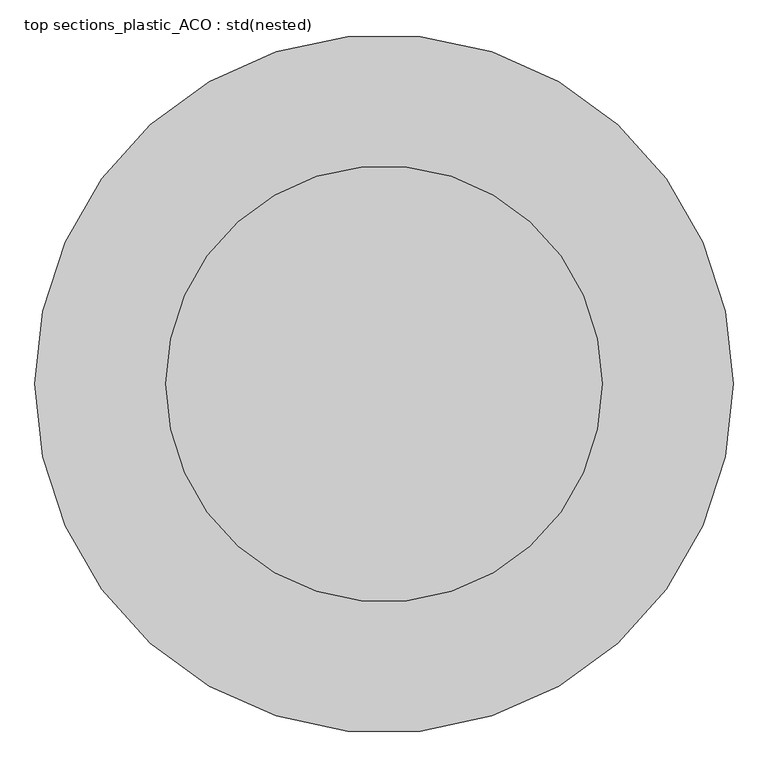
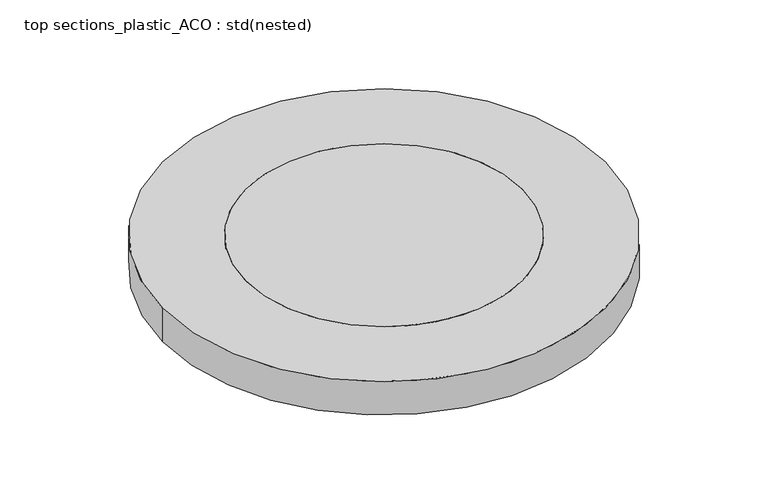
"""IFC4 building model written with IfcOpenShell, lengths in millimetres: unitary equipment geometry, top sections_plastic_ACO : std(nested)."""

import ifcopenshell
import ifcopenshell.guid

model = None  # the IFC model being written
_history = None  # IfcOwnerHistory: only IFC2X3 demands one
_inside = {}  # id of a spatial element -> (the spatial element, [elements in it])
_under = {}  # id of a project, library or spatial element -> (it, [spatial elements below it])
_declared = {}  # id of a project -> (the project, [libraries it declares])
_typed = {}  # id of a type object -> (the type object, [elements of that type])
_made_of = {}  # id of a material, layer set ... -> (it, [elements and type objects made of it])


def new_model(schema):
    """Start an empty IFC model of exactly this schema.

    Asked for "IFC4X3", IfcOpenShell would pick the latest addendum, in which some entities
    have other attributes; the version numbers below select the first issue.
    IFC2X3 requires an IfcOwnerHistory on every rooted entity: one is made here for all.
    """
    global model, _history
    if schema == "IFC4X3":
        model = ifcopenshell.file(schema_version=(4, 3, 0, 0))
    else:
        model = ifcopenshell.file(schema=schema)
    _inside.clear()
    _under.clear()
    _declared.clear()
    _typed.clear()
    _made_of.clear()
    _history = None
    if model.schema == "IFC2X3":
        org = make("IfcOrganization", Name="unknown")
        user = make(
            "IfcPersonAndOrganization",
            ThePerson=make("IfcPerson", FamilyName="unknown"),
            TheOrganization=org,
        )
        app = make(
            "IfcApplication",
            ApplicationDeveloper=org,
            Version="unknown",
            ApplicationFullName="unknown",
            ApplicationIdentifier="unknown",
        )
        _history = make(
            "IfcOwnerHistory",
            OwningUser=user,
            OwningApplication=app,
            ChangeAction="ADDED",
            CreationDate=0,
        )
    return model


def make(cls, **values):
    """One entity of the class cls with the attributes given. An attribute that is None is left unset."""
    return model.create_entity(
        cls, **{name: value for name, value in values.items() if value is not None}
    )


def rooted(cls, **values):
    """An entity with a GlobalId (a new one), such as an element, a storey or a relation."""
    return make(cls, GlobalId=ifcopenshell.guid.new(), OwnerHistory=_history, **values)


def si_unit(unit_type, name, prefix=None):
    """IfcSIUnit, for example si_unit("LENGTHUNIT", "METRE", prefix="MILLI")."""
    return make("IfcSIUnit", UnitType=unit_type, Prefix=prefix, Name=name)


def assignment(units):
    """IfcUnitAssignment: the units of a project."""
    return None if units is None else make("IfcUnitAssignment", Units=units)


def point(xyz):
    """IfcCartesianPoint."""
    return None if xyz is None else make("IfcCartesianPoint", Coordinates=xyz)


def direction(xyz):
    """IfcDirection."""
    return None if xyz is None else make("IfcDirection", DirectionRatios=xyz)


def frame(location, z_axis=None, x_axis=None):
    """IfcAxis2Placement3D, a coordinate frame: its origin and axes. An axis left out is left unset."""
    return make(
        "IfcAxis2Placement3D",
        Location=point(location),
        Axis=direction(z_axis),
        RefDirection=direction(x_axis),
    )


def frame_2d(location, x_axis=None):
    """IfcAxis2Placement2D, a coordinate frame in the plane: its origin and x axis."""
    return make(
        "IfcAxis2Placement2D", Location=point(location), RefDirection=direction(x_axis)
    )


def origin():
    """The frame at (0, 0, 0) with its axes left unset."""
    return frame((0.0, 0.0, 0.0))


def origin_2d():
    """The frame at (0, 0) in the plane with its x axis left unset."""
    return frame_2d((0.0, 0.0))


def place(relative_to, where):
    """IfcLocalPlacement: puts the frame where relative to a parent placement (None: the world)."""
    return make(
        "IfcLocalPlacement", PlacementRelTo=relative_to, RelativePlacement=where
    )


def context(
    kind, dimensions, precision=None, world=None, true_north=None, identifier=None
):
    """IfcGeometricRepresentationContext, for example the 3D "Model" context."""
    return make(
        "IfcGeometricRepresentationContext",
        ContextIdentifier=identifier,
        ContextType=kind,
        CoordinateSpaceDimension=dimensions,
        Precision=precision,
        WorldCoordinateSystem=world,
        TrueNorth=true_north,
    )


def project(units=None, contexts=None):
    """IfcProject with its units and contexts."""
    return rooted(
        "IfcProject",
        Name="project",
        RepresentationContexts=contexts,
        UnitsInContext=assignment(units),
    )


def spatial(cls, under=None, at=None, **own):
    """A site, building, storey or space (cls), placed at a placement, below another one or the project."""
    s = rooted(cls, ObjectPlacement=at, **own)
    if under is not None:
        _under.setdefault(under.id(), (under, []))[1].append(s)
    return s


def circle_curve(where, radius):
    """IfcCircle in the frame where."""
    return make("IfcCircle", Position=where, Radius=radius)


def trimmed(basis, trim1, trim2, sense, master):
    """IfcTrimmedCurve: the piece of a basis curve between two trims."""
    return make(
        "IfcTrimmedCurve",
        BasisCurve=basis,
        Trim1=trim1,
        Trim2=trim2,
        SenseAgreement=sense,
        MasterRepresentation=master,
    )


def segment(curve, same_sense, transition):
    """IfcCompositeCurveSegment."""
    return make(
        "IfcCompositeCurveSegment",
        Transition=transition,
        SameSense=same_sense,
        ParentCurve=curve,
    )


def composite_curve(segments, self_intersect=None):
    """IfcCompositeCurve: segments joined end to end."""
    return make("IfcCompositeCurve", Segments=segments, SelfIntersect=self_intersect)


def outline(outer, holes=None, kind="AREA"):
    """IfcArbitraryClosedProfileDef: a profile drawn as a closed curve; with holes, ...WithVoids."""
    if holes is None:
        return make("IfcArbitraryClosedProfileDef", ProfileType=kind, OuterCurve=outer)
    return make(
        "IfcArbitraryProfileDefWithVoids",
        ProfileType=kind,
        OuterCurve=outer,
        InnerCurves=holes,
    )


def extrude(swept, where, along, depth):
    """IfcExtrudedAreaSolid: the profile swept, set in the frame where, extruded along a direction by depth."""
    return make(
        "IfcExtrudedAreaSolid",
        SweptArea=swept,
        Position=where,
        ExtrudedDirection=direction(along),
        Depth=depth,
    )


def shape(context_of_items, identifier, shape_type, items):
    """IfcShapeRepresentation: the items that make up one representation, for example the "Body"."""
    return make(
        "IfcShapeRepresentation",
        ContextOfItems=context_of_items,
        RepresentationIdentifier=identifier,
        RepresentationType=shape_type,
        Items=items,
    )


def source(mapping_origin, context_of_items, identifier, shape_type, items):
    """IfcRepresentationMap: a shape defined once, which mapped items show again and again."""
    return make(
        "IfcRepresentationMap",
        MappingOrigin=mapping_origin,
        MappedRepresentation=shape(context_of_items, identifier, shape_type, items),
    )


def transform(
    local_origin,
    x_axis=None,
    y_axis=None,
    z_axis=None,
    scale=None,
    scale2=None,
    scale3=None,
    uniform=True,
):
    """IfcCartesianTransformationOperator3D, or its non-uniform kind. x_axis, y_axis, z_axis: its Axis1, 2, 3."""
    if uniform:
        return make(
            "IfcCartesianTransformationOperator3D",
            Axis1=direction(x_axis),
            Axis2=direction(y_axis),
            LocalOrigin=point(local_origin),
            Scale=scale,
            Axis3=direction(z_axis),
        )
    return make(
        "IfcCartesianTransformationOperator3DnonUniform",
        Axis1=direction(x_axis),
        Axis2=direction(y_axis),
        LocalOrigin=point(local_origin),
        Scale=scale,
        Axis3=direction(z_axis),
        Scale2=scale2,
        Scale3=scale3,
    )


def mapped(mapping_source, mapping_target):
    """IfcMappedItem: shows the shape of a source again, moved by a transform."""
    return make(
        "IfcMappedItem", MappingSource=mapping_source, MappingTarget=mapping_target
    )


def made_of(thing, what):
    """Note that an element or type object is made of a material, layer set ...; save() writes the relation."""
    if what is not None:
        _made_of.setdefault(what.id(), (what, []))[1].append(thing)
    return thing


def element(
    cls,
    number,
    at=None,
    inside=None,
    cuts=None,
    type_object=None,
    material=None,
    context=None,
    identifier="Body",
    shape_type=None,
    held_by="IfcProductDefinitionShape",
    body=None,
    shapes=None,
    **own,
):
    """One element of the class cls, such as IfcWall. Its Tag is "e" and its number.

    at: its placement. inside: the storey or other place that contains it. cuts: it is an
    opening in that element (IfcRelVoidsElement). A single representation is given by context,
    identifier, shape_type and body (its items); several are given by shapes. held_by: the class
    of the entity that holds the representations. save() writes the other relations.
    """
    e = rooted(cls, Tag="e%d" % number, ObjectPlacement=at, **own)
    if body is not None:
        shapes = [shape(context, identifier, shape_type, body)]
    if shapes is not None:
        e.Representation = make(held_by, Representations=shapes)
    if inside is not None:
        _inside.setdefault(inside.id(), (inside, []))[1].append(e)
    if cuts is not None:
        rooted(
            "IfcRelVoidsElement", RelatingBuildingElement=cuts, RelatedOpeningElement=e
        )
    if type_object is not None:
        _typed.setdefault(type_object.id(), (type_object, []))[1].append(e)
    return made_of(e, material)


def aggregate(whole, parts):
    """IfcRelAggregates: a whole, such as a stair, and the parts it consists of."""
    return rooted("IfcRelAggregates", RelatingObject=whole, RelatedObjects=parts)


def save(model, path):
    """Write the relations noted so far, then the file.

    IfcRelAggregates (storeys below a building ...), IfcRelContainedInSpatialStructure (elements
    in a storey), IfcRelDefinesByType, IfcRelAssociatesMaterial and IfcRelDeclares: one each for
    every whole, place, type object, material and project.
    """
    for whole, parts in _under.values():
        aggregate(whole, parts)
    for where, things in _inside.values():
        rooted(
            "IfcRelContainedInSpatialStructure",
            RelatedElements=things,
            RelatingStructure=where,
        )
    for kind, things in _typed.values():
        rooted("IfcRelDefinesByType", RelatedObjects=things, RelatingType=kind)
    for what, things in _made_of.values():
        rooted("IfcRelAssociatesMaterial", RelatedObjects=things, RelatingMaterial=what)
    for by, libraries in _declared.values():
        rooted("IfcRelDeclares", RelatingContext=by, RelatedDefinitions=libraries)
    model.write(path)


def top_sections_plastic_aco_std_nested_4c688dec(model_context):
    return source(origin(), model_context, "Body", "SweptSolid", [
        extrude(outline(composite_curve([segment(trimmed(circle_curve(origin_2d(), 312.5), [point((312.5, 0.0))], [point((-312.5, 0.0))], False, "CARTESIAN"), True, "CONTINUOUS"), segment(trimmed(circle_curve(origin_2d(), 312.5), [point((-312.5, 0.0))], [point((312.5, 0.0))], False, "CARTESIAN"), True, "CONTINUOUS")], self_intersect=False)), frame((0.0, 0.0, -60.0), z_axis=(0.0, 0.0, 1.0), x_axis=(1.0, 0.0, 0.0)), (0.0, 0.0, 1.0), 60.0),
        extrude(outline(composite_curve([segment(trimmed(circle_curve(origin_2d(), 500.0), [point((-500.0, 0.0))], [point((500.0, 0.0))], False, "CARTESIAN"), True, "CONTINUOUS"), segment(trimmed(circle_curve(origin_2d(), 500.0), [point((500.0, 0.0))], [point((-500.0, 0.0))], False, "CARTESIAN"), True, "CONTINUOUS")], self_intersect=False), holes=[composite_curve([segment(trimmed(circle_curve(origin_2d(), 312.5), [point((-312.5, 0.0))], [point((312.5, 0.0))], True, "CARTESIAN"), True, "CONTINUOUS"), segment(trimmed(circle_curve(origin_2d(), 312.5), [point((312.5, 0.0))], [point((-312.5, 0.0))], True, "CARTESIAN"), True, "CONTINUOUS")], self_intersect=False)]), frame((0.0, 0.0, -80.0), z_axis=(0.0, 0.0, 1.0), x_axis=(1.0, 0.0, 0.0)), (0.0, 0.0, 1.0), 80.0),
    ])


if __name__ == "__main__":
    model = new_model("IFC4")
    model_context = context("Model", 3, world=origin())
    ifc_project = project(units=[si_unit("LENGTHUNIT", "METRE", prefix="MILLI")], contexts=[model_context])
    site = spatial("IfcSite", under=ifc_project)
    building = spatial("IfcBuilding", under=site)
    placement = place(None, origin())
    top_sections_plastic_aco_std_nested_shape = top_sections_plastic_aco_std_nested_4c688dec(model_context)
    element("IfcUnitaryEquipment", 1, ObjectType="top sections_plastic_ACO : std(nested)", at=placement, inside=building, context=model_context, shape_type="MappedRepresentation", body=[
        mapped(top_sections_plastic_aco_std_nested_shape, transform((0.0, 0.0, 0.0), x_axis=(1.0, 0.0, 0.0), y_axis=(0.0, 1.0, 0.0), z_axis=(0.0, 0.0, 1.0))),
    ])
    save(model, "model.ifc")
